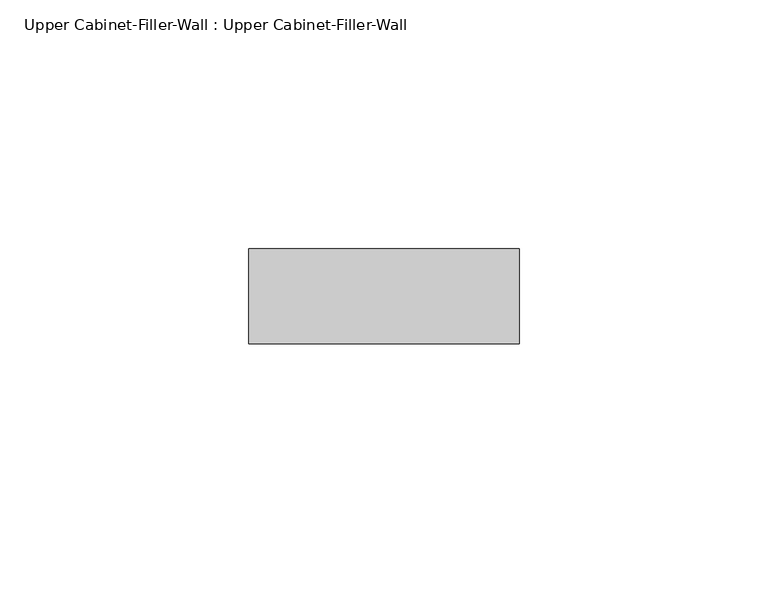
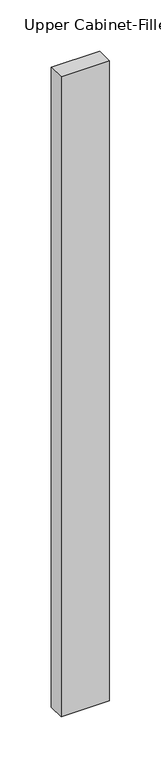
"""IFC4 building model written with IfcOpenShell, lengths in millimetres: furniture geometry, Upper Cabinet-Filler-Wall : Upper Cabinet-Filler-Wall."""

import ifcopenshell
import ifcopenshell.guid

model = None  # the IFC model being written
_history = None  # IfcOwnerHistory: only IFC2X3 demands one
_inside = {}  # id of a spatial element -> (the spatial element, [elements in it])
_under = {}  # id of a project, library or spatial element -> (it, [spatial elements below it])
_declared = {}  # id of a project -> (the project, [libraries it declares])
_typed = {}  # id of a type object -> (the type object, [elements of that type])
_made_of = {}  # id of a material, layer set ... -> (it, [elements and type objects made of it])


def new_model(schema):
    """Start an empty IFC model of exactly this schema.

    Asked for "IFC4X3", IfcOpenShell would pick the latest addendum, in which some entities
    have other attributes; the version numbers below select the first issue.
    IFC2X3 requires an IfcOwnerHistory on every rooted entity: one is made here for all.
    """
    global model, _history
    if schema == "IFC4X3":
        model = ifcopenshell.file(schema_version=(4, 3, 0, 0))
    else:
        model = ifcopenshell.file(schema=schema)
    _inside.clear()
    _under.clear()
    _declared.clear()
    _typed.clear()
    _made_of.clear()
    _history = None
    if model.schema == "IFC2X3":
        org = make("IfcOrganization", Name="unknown")
        user = make(
            "IfcPersonAndOrganization",
            ThePerson=make("IfcPerson", FamilyName="unknown"),
            TheOrganization=org,
        )
        app = make(
            "IfcApplication",
            ApplicationDeveloper=org,
            Version="unknown",
            ApplicationFullName="unknown",
            ApplicationIdentifier="unknown",
        )
        _history = make(
            "IfcOwnerHistory",
            OwningUser=user,
            OwningApplication=app,
            ChangeAction="ADDED",
            CreationDate=0,
        )
    return model


def make(cls, **values):
    """One entity of the class cls with the attributes given. An attribute that is None is left unset."""
    return model.create_entity(
        cls, **{name: value for name, value in values.items() if value is not None}
    )


def rooted(cls, **values):
    """An entity with a GlobalId (a new one), such as an element, a storey or a relation."""
    return make(cls, GlobalId=ifcopenshell.guid.new(), OwnerHistory=_history, **values)


def si_unit(unit_type, name, prefix=None):
    """IfcSIUnit, for example si_unit("LENGTHUNIT", "METRE", prefix="MILLI")."""
    return make("IfcSIUnit", UnitType=unit_type, Prefix=prefix, Name=name)


def assignment(units):
    """IfcUnitAssignment: the units of a project."""
    return None if units is None else make("IfcUnitAssignment", Units=units)


def point(xyz):
    """IfcCartesianPoint."""
    return None if xyz is None else make("IfcCartesianPoint", Coordinates=xyz)


def direction(xyz):
    """IfcDirection."""
    return None if xyz is None else make("IfcDirection", DirectionRatios=xyz)


def frame(location, z_axis=None, x_axis=None):
    """IfcAxis2Placement3D, a coordinate frame: its origin and axes. An axis left out is left unset."""
    return make(
        "IfcAxis2Placement3D",
        Location=point(location),
        Axis=direction(z_axis),
        RefDirection=direction(x_axis),
    )


def origin():
    """The frame at (0, 0, 0) with its axes left unset."""
    return frame((0.0, 0.0, 0.0))


def place(relative_to, where):
    """IfcLocalPlacement: puts the frame where relative to a parent placement (None: the world)."""
    return make(
        "IfcLocalPlacement", PlacementRelTo=relative_to, RelativePlacement=where
    )


def context(
    kind, dimensions, precision=None, world=None, true_north=None, identifier=None
):
    """IfcGeometricRepresentationContext, for example the 3D "Model" context."""
    return make(
        "IfcGeometricRepresentationContext",
        ContextIdentifier=identifier,
        ContextType=kind,
        CoordinateSpaceDimension=dimensions,
        Precision=precision,
        WorldCoordinateSystem=world,
        TrueNorth=true_north,
    )


def project(units=None, contexts=None):
    """IfcProject with its units and contexts."""
    return rooted(
        "IfcProject",
        Name="project",
        RepresentationContexts=contexts,
        UnitsInContext=assignment(units),
    )


def spatial(cls, under=None, at=None, **own):
    """A site, building, storey or space (cls), placed at a placement, below another one or the project."""
    s = rooted(cls, ObjectPlacement=at, **own)
    if under is not None:
        _under.setdefault(under.id(), (under, []))[1].append(s)
    return s


def polyline(points):
    """IfcPolyline through the points."""
    return make("IfcPolyline", Points=[point(p) for p in points])


def outline(outer, holes=None, kind="AREA"):
    """IfcArbitraryClosedProfileDef: a profile drawn as a closed curve; with holes, ...WithVoids."""
    if holes is None:
        return make("IfcArbitraryClosedProfileDef", ProfileType=kind, OuterCurve=outer)
    return make(
        "IfcArbitraryProfileDefWithVoids",
        ProfileType=kind,
        OuterCurve=outer,
        InnerCurves=holes,
    )


def extrude(swept, where, along, depth):
    """IfcExtrudedAreaSolid: the profile swept, set in the frame where, extruded along a direction by depth."""
    return make(
        "IfcExtrudedAreaSolid",
        SweptArea=swept,
        Position=where,
        ExtrudedDirection=direction(along),
        Depth=depth,
    )


def shape(context_of_items, identifier, shape_type, items):
    """IfcShapeRepresentation: the items that make up one representation, for example the "Body"."""
    return make(
        "IfcShapeRepresentation",
        ContextOfItems=context_of_items,
        RepresentationIdentifier=identifier,
        RepresentationType=shape_type,
        Items=items,
    )


def source(mapping_origin, context_of_items, identifier, shape_type, items):
    """IfcRepresentationMap: a shape defined once, which mapped items show again and again."""
    return make(
        "IfcRepresentationMap",
        MappingOrigin=mapping_origin,
        MappedRepresentation=shape(context_of_items, identifier, shape_type, items),
    )


def transform(
    local_origin,
    x_axis=None,
    y_axis=None,
    z_axis=None,
    scale=None,
    scale2=None,
    scale3=None,
    uniform=True,
):
    """IfcCartesianTransformationOperator3D, or its non-uniform kind. x_axis, y_axis, z_axis: its Axis1, 2, 3."""
    if uniform:
        return make(
            "IfcCartesianTransformationOperator3D",
            Axis1=direction(x_axis),
            Axis2=direction(y_axis),
            LocalOrigin=point(local_origin),
            Scale=scale,
            Axis3=direction(z_axis),
        )
    return make(
        "IfcCartesianTransformationOperator3DnonUniform",
        Axis1=direction(x_axis),
        Axis2=direction(y_axis),
        LocalOrigin=point(local_origin),
        Scale=scale,
        Axis3=direction(z_axis),
        Scale2=scale2,
        Scale3=scale3,
    )


def mapped(mapping_source, mapping_target):
    """IfcMappedItem: shows the shape of a source again, moved by a transform."""
    return make(
        "IfcMappedItem", MappingSource=mapping_source, MappingTarget=mapping_target
    )


def made_of(thing, what):
    """Note that an element or type object is made of a material, layer set ...; save() writes the relation."""
    if what is not None:
        _made_of.setdefault(what.id(), (what, []))[1].append(thing)
    return thing


def element(
    cls,
    number,
    at=None,
    inside=None,
    cuts=None,
    type_object=None,
    material=None,
    context=None,
    identifier="Body",
    shape_type=None,
    held_by="IfcProductDefinitionShape",
    body=None,
    shapes=None,
    **own,
):
    """One element of the class cls, such as IfcWall. Its Tag is "e" and its number.

    at: its placement. inside: the storey or other place that contains it. cuts: it is an
    opening in that element (IfcRelVoidsElement). A single representation is given by context,
    identifier, shape_type and body (its items); several are given by shapes. held_by: the class
    of the entity that holds the representations. save() writes the other relations.
    """
    e = rooted(cls, Tag="e%d" % number, ObjectPlacement=at, **own)
    if body is not None:
        shapes = [shape(context, identifier, shape_type, body)]
    if shapes is not None:
        e.Representation = make(held_by, Representations=shapes)
    if inside is not None:
        _inside.setdefault(inside.id(), (inside, []))[1].append(e)
    if cuts is not None:
        rooted(
            "IfcRelVoidsElement", RelatingBuildingElement=cuts, RelatedOpeningElement=e
        )
    if type_object is not None:
        _typed.setdefault(type_object.id(), (type_object, []))[1].append(e)
    return made_of(e, material)


def aggregate(whole, parts):
    """IfcRelAggregates: a whole, such as a stair, and the parts it consists of."""
    return rooted("IfcRelAggregates", RelatingObject=whole, RelatedObjects=parts)


def save(model, path):
    """Write the relations noted so far, then the file.

    IfcRelAggregates (storeys below a building ...), IfcRelContainedInSpatialStructure (elements
    in a storey), IfcRelDefinesByType, IfcRelAssociatesMaterial and IfcRelDeclares: one each for
    every whole, place, type object, material and project.
    """
    for whole, parts in _under.values():
        aggregate(whole, parts)
    for where, things in _inside.values():
        rooted(
            "IfcRelContainedInSpatialStructure",
            RelatedElements=things,
            RelatingStructure=where,
        )
    for kind, things in _typed.values():
        rooted("IfcRelDefinesByType", RelatedObjects=things, RelatingType=kind)
    for what, things in _made_of.values():
        rooted("IfcRelAssociatesMaterial", RelatedObjects=things, RelatingMaterial=what)
    for by, libraries in _declared.values():
        rooted("IfcRelDeclares", RelatingContext=by, RelatedDefinitions=libraries)
    model.write(path)


def upper_cabinet_filler_wall_upper_cabinet_filler_wall_5f6182de(model_context):
    return source(origin(), model_context, "Body", "SweptSolid", [
        extrude(outline(polyline([(2.5885678, 339.725), (2.5885678, 358.775), (56.9537578, 358.775), (56.9537578, 339.725), (2.5885678, 339.725)])), frame((0.0, 0.0, 1371.6), z_axis=(0.0, 0.0, 1.0), x_axis=(1.0, 0.0, 0.0)), (0.0, 0.0, 1.0), 762.0),
    ])


if __name__ == "__main__":
    model = new_model("IFC4")
    model_context = context("Model", 3, world=origin())
    ifc_project = project(units=[si_unit("LENGTHUNIT", "METRE", prefix="MILLI")], contexts=[model_context])
    site = spatial("IfcSite", under=ifc_project)
    building = spatial("IfcBuilding", under=site)
    placement = place(None, origin())
    upper_cabinet_filler_wall_upper_cabinet_filler_wall_shape = upper_cabinet_filler_wall_upper_cabinet_filler_wall_5f6182de(model_context)
    element("IfcFurniture", 1, ObjectType="Upper Cabinet-Filler-Wall : Upper Cabinet-Filler-Wall", at=placement, inside=building, context=model_context, shape_type="MappedRepresentation", body=[
        mapped(upper_cabinet_filler_wall_upper_cabinet_filler_wall_shape, transform((0.0, 0.0, 0.0), x_axis=(1.0, 0.0, 0.0), y_axis=(0.0, 1.0, 0.0), z_axis=(0.0, 0.0, 1.0))),
    ])
    save(model, "model.ifc")
